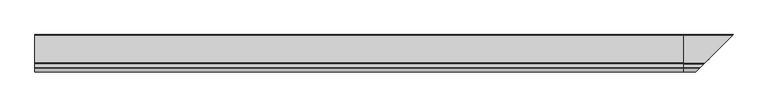
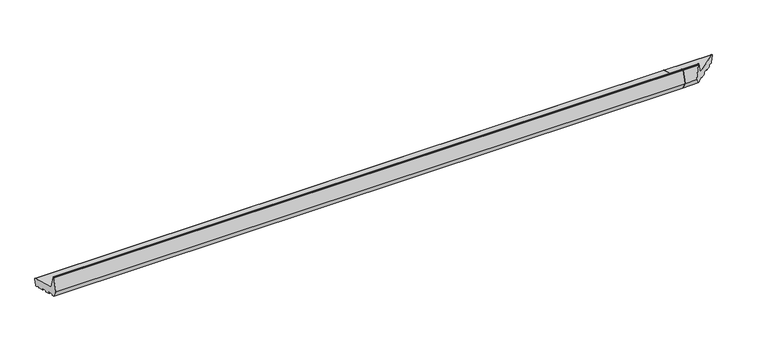
"""IFC4 building model written with IfcOpenShell, lengths in millimetres: proxy geometry."""

import ifcopenshell
import ifcopenshell.guid

model = None  # the IFC model being written
_history = None  # IfcOwnerHistory: only IFC2X3 demands one
_inside = {}  # id of a spatial element -> (the spatial element, [elements in it])
_under = {}  # id of a project, library or spatial element -> (it, [spatial elements below it])
_declared = {}  # id of a project -> (the project, [libraries it declares])
_typed = {}  # id of a type object -> (the type object, [elements of that type])
_made_of = {}  # id of a material, layer set ... -> (it, [elements and type objects made of it])


def new_model(schema):
    """Start an empty IFC model of exactly this schema.

    Asked for "IFC4X3", IfcOpenShell would pick the latest addendum, in which some entities
    have other attributes; the version numbers below select the first issue.
    IFC2X3 requires an IfcOwnerHistory on every rooted entity: one is made here for all.
    """
    global model, _history
    if schema == "IFC4X3":
        model = ifcopenshell.file(schema_version=(4, 3, 0, 0))
    else:
        model = ifcopenshell.file(schema=schema)
    _inside.clear()
    _under.clear()
    _declared.clear()
    _typed.clear()
    _made_of.clear()
    _history = None
    if model.schema == "IFC2X3":
        org = make("IfcOrganization", Name="unknown")
        user = make(
            "IfcPersonAndOrganization",
            ThePerson=make("IfcPerson", FamilyName="unknown"),
            TheOrganization=org,
        )
        app = make(
            "IfcApplication",
            ApplicationDeveloper=org,
            Version="unknown",
            ApplicationFullName="unknown",
            ApplicationIdentifier="unknown",
        )
        _history = make(
            "IfcOwnerHistory",
            OwningUser=user,
            OwningApplication=app,
            ChangeAction="ADDED",
            CreationDate=0,
        )
    return model


def make(cls, **values):
    """One entity of the class cls with the attributes given. An attribute that is None is left unset."""
    return model.create_entity(
        cls, **{name: value for name, value in values.items() if value is not None}
    )


def rooted(cls, **values):
    """An entity with a GlobalId (a new one), such as an element, a storey or a relation."""
    return make(cls, GlobalId=ifcopenshell.guid.new(), OwnerHistory=_history, **values)


def si_unit(unit_type, name, prefix=None):
    """IfcSIUnit, for example si_unit("LENGTHUNIT", "METRE", prefix="MILLI")."""
    return make("IfcSIUnit", UnitType=unit_type, Prefix=prefix, Name=name)


def assignment(units):
    """IfcUnitAssignment: the units of a project."""
    return None if units is None else make("IfcUnitAssignment", Units=units)


def point(xyz):
    """IfcCartesianPoint."""
    return None if xyz is None else make("IfcCartesianPoint", Coordinates=xyz)


def direction(xyz):
    """IfcDirection."""
    return None if xyz is None else make("IfcDirection", DirectionRatios=xyz)


def frame(location, z_axis=None, x_axis=None):
    """IfcAxis2Placement3D, a coordinate frame: its origin and axes. An axis left out is left unset."""
    return make(
        "IfcAxis2Placement3D",
        Location=point(location),
        Axis=direction(z_axis),
        RefDirection=direction(x_axis),
    )


def frame_2d(location, x_axis=None):
    """IfcAxis2Placement2D, a coordinate frame in the plane: its origin and x axis."""
    return make(
        "IfcAxis2Placement2D", Location=point(location), RefDirection=direction(x_axis)
    )


def origin():
    """The frame at (0, 0, 0) with its axes left unset."""
    return frame((0.0, 0.0, 0.0))


def place(relative_to, where):
    """IfcLocalPlacement: puts the frame where relative to a parent placement (None: the world)."""
    return make(
        "IfcLocalPlacement", PlacementRelTo=relative_to, RelativePlacement=where
    )


def context(
    kind, dimensions, precision=None, world=None, true_north=None, identifier=None
):
    """IfcGeometricRepresentationContext, for example the 3D "Model" context."""
    return make(
        "IfcGeometricRepresentationContext",
        ContextIdentifier=identifier,
        ContextType=kind,
        CoordinateSpaceDimension=dimensions,
        Precision=precision,
        WorldCoordinateSystem=world,
        TrueNorth=true_north,
    )


def project(units=None, contexts=None):
    """IfcProject with its units and contexts."""
    return rooted(
        "IfcProject",
        Name="project",
        RepresentationContexts=contexts,
        UnitsInContext=assignment(units),
    )


def spatial(cls, under=None, at=None, **own):
    """A site, building, storey or space (cls), placed at a placement, below another one or the project."""
    s = rooted(cls, ObjectPlacement=at, **own)
    if under is not None:
        _under.setdefault(under.id(), (under, []))[1].append(s)
    return s


def polyline(points):
    """IfcPolyline through the points."""
    return make("IfcPolyline", Points=[point(p) for p in points])


def circle_curve(where, radius):
    """IfcCircle in the frame where."""
    return make("IfcCircle", Position=where, Radius=radius)


def ellipse_curve(where, semi_axis1, semi_axis2):
    """IfcEllipse in the frame where."""
    return make(
        "IfcEllipse", Position=where, SemiAxis1=semi_axis1, SemiAxis2=semi_axis2
    )


def trimmed(basis, trim1, trim2, sense, master):
    """IfcTrimmedCurve: the piece of a basis curve between two trims."""
    return make(
        "IfcTrimmedCurve",
        BasisCurve=basis,
        Trim1=trim1,
        Trim2=trim2,
        SenseAgreement=sense,
        MasterRepresentation=master,
    )


def segment(curve, same_sense, transition):
    """IfcCompositeCurveSegment."""
    return make(
        "IfcCompositeCurveSegment",
        Transition=transition,
        SameSense=same_sense,
        ParentCurve=curve,
    )


def composite_curve(segments, self_intersect=None):
    """IfcCompositeCurve: segments joined end to end."""
    return make("IfcCompositeCurve", Segments=segments, SelfIntersect=self_intersect)


def outline(outer, holes=None, kind="AREA"):
    """IfcArbitraryClosedProfileDef: a profile drawn as a closed curve; with holes, ...WithVoids."""
    if holes is None:
        return make("IfcArbitraryClosedProfileDef", ProfileType=kind, OuterCurve=outer)
    return make(
        "IfcArbitraryProfileDefWithVoids",
        ProfileType=kind,
        OuterCurve=outer,
        InnerCurves=holes,
    )


def extrude(swept, where, along, depth):
    """IfcExtrudedAreaSolid: the profile swept, set in the frame where, extruded along a direction by depth."""
    return make(
        "IfcExtrudedAreaSolid",
        SweptArea=swept,
        Position=where,
        ExtrudedDirection=direction(along),
        Depth=depth,
    )


def shape(context_of_items, identifier, shape_type, items):
    """IfcShapeRepresentation: the items that make up one representation, for example the "Body"."""
    return make(
        "IfcShapeRepresentation",
        ContextOfItems=context_of_items,
        RepresentationIdentifier=identifier,
        RepresentationType=shape_type,
        Items=items,
    )


def source(mapping_origin, context_of_items, identifier, shape_type, items):
    """IfcRepresentationMap: a shape defined once, which mapped items show again and again."""
    return make(
        "IfcRepresentationMap",
        MappingOrigin=mapping_origin,
        MappedRepresentation=shape(context_of_items, identifier, shape_type, items),
    )


def transform(
    local_origin,
    x_axis=None,
    y_axis=None,
    z_axis=None,
    scale=None,
    scale2=None,
    scale3=None,
    uniform=True,
):
    """IfcCartesianTransformationOperator3D, or its non-uniform kind. x_axis, y_axis, z_axis: its Axis1, 2, 3."""
    if uniform:
        return make(
            "IfcCartesianTransformationOperator3D",
            Axis1=direction(x_axis),
            Axis2=direction(y_axis),
            LocalOrigin=point(local_origin),
            Scale=scale,
            Axis3=direction(z_axis),
        )
    return make(
        "IfcCartesianTransformationOperator3DnonUniform",
        Axis1=direction(x_axis),
        Axis2=direction(y_axis),
        LocalOrigin=point(local_origin),
        Scale=scale,
        Axis3=direction(z_axis),
        Scale2=scale2,
        Scale3=scale3,
    )


def mapped(mapping_source, mapping_target):
    """IfcMappedItem: shows the shape of a source again, moved by a transform."""
    return make(
        "IfcMappedItem", MappingSource=mapping_source, MappingTarget=mapping_target
    )


def made_of(thing, what):
    """Note that an element or type object is made of a material, layer set ...; save() writes the relation."""
    if what is not None:
        _made_of.setdefault(what.id(), (what, []))[1].append(thing)
    return thing


def element(
    cls,
    number,
    at=None,
    inside=None,
    cuts=None,
    type_object=None,
    material=None,
    context=None,
    identifier="Body",
    shape_type=None,
    held_by="IfcProductDefinitionShape",
    body=None,
    shapes=None,
    **own,
):
    """One element of the class cls, such as IfcWall. Its Tag is "e" and its number.

    at: its placement. inside: the storey or other place that contains it. cuts: it is an
    opening in that element (IfcRelVoidsElement). A single representation is given by context,
    identifier, shape_type and body (its items); several are given by shapes. held_by: the class
    of the entity that holds the representations. save() writes the other relations.
    """
    e = rooted(cls, Tag="e%d" % number, ObjectPlacement=at, **own)
    if body is not None:
        shapes = [shape(context, identifier, shape_type, body)]
    if shapes is not None:
        e.Representation = make(held_by, Representations=shapes)
    if inside is not None:
        _inside.setdefault(inside.id(), (inside, []))[1].append(e)
    if cuts is not None:
        rooted(
            "IfcRelVoidsElement", RelatingBuildingElement=cuts, RelatedOpeningElement=e
        )
    if type_object is not None:
        _typed.setdefault(type_object.id(), (type_object, []))[1].append(e)
    return made_of(e, material)


def aggregate(whole, parts):
    """IfcRelAggregates: a whole, such as a stair, and the parts it consists of."""
    return rooted("IfcRelAggregates", RelatingObject=whole, RelatedObjects=parts)


def save(model, path):
    """Write the relations noted so far, then the file.

    IfcRelAggregates (storeys below a building ...), IfcRelContainedInSpatialStructure (elements
    in a storey), IfcRelDefinesByType, IfcRelAssociatesMaterial and IfcRelDeclares: one each for
    every whole, place, type object, material and project.
    """
    for whole, parts in _under.values():
        aggregate(whole, parts)
    for where, things in _inside.values():
        rooted(
            "IfcRelContainedInSpatialStructure",
            RelatedElements=things,
            RelatingStructure=where,
        )
    for kind, things in _typed.values():
        rooted("IfcRelDefinesByType", RelatedObjects=things, RelatingType=kind)
    for what, things in _made_of.values():
        rooted("IfcRelAssociatesMaterial", RelatedObjects=things, RelatingMaterial=what)
    for by, libraries in _declared.values():
        rooted("IfcRelDeclares", RelatingContext=by, RelatedDefinitions=libraries)
    model.write(path)


def plane_surface(at):
    """IfcPlane: the flat surface through the origin of the frame at, square to its z axis."""
    return make("IfcPlane", Position=at)


def cylinder_surface(at, radius):
    """IfcCylindricalSurface: all points at the distance radius from the z axis of the frame at."""
    return make("IfcCylindricalSurface", Position=at, Radius=radius)


def revolved_surface(curve, axis_point, axis_direction):
    """IfcSurfaceOfRevolution: the curve turned about the line through axis_point along axis_direction."""
    return make(
        "IfcSurfaceOfRevolution",
        SweptCurve=make("IfcArbitraryOpenProfileDef", ProfileType="CURVE", Curve=curve),
        AxisPosition=make("IfcAxis1Placement", Location=point(axis_point), Axis=direction(axis_direction)),
    )


def advanced_brep(points, edges, surfaces, faces):
    """IfcAdvancedBrep: a solid bounded by faces that lie on surfaces and meet in shared edges.

    An edge is (start, end): straight between two places in points (the first is 0);
    or (start, end, curve); or (start, end, curve, False) where it runs against its curve.
    A face is (place in surfaces, loops), or (place, loops, False) where it looks against
    its surface's normal. A loop lists edges by number (the first is 1), with a minus sign
    where the edge is run from its end to its start. The first loop is the outer one.
    """
    corners = [point(p) for p in points]
    vertices = [make("IfcVertexPoint", VertexGeometry=c) for c in corners]
    made = []
    for start, end, *more in edges:
        made.append(
            make(
                "IfcEdgeCurve",
                EdgeStart=vertices[start],
                EdgeEnd=vertices[end],
                EdgeGeometry=more[0] if more else make("IfcPolyline", Points=[corners[start], corners[end]]),
                SameSense=more[1] if len(more) > 1 else True,
            )
        )
    hull = []
    for where, loops, *sense in faces:
        bounds = []
        for j, loop in enumerate(loops):
            ring = [make("IfcOrientedEdge", EdgeElement=made[abs(k) - 1], Orientation=k > 0) for k in loop]
            bounds.append(
                make(
                    "IfcFaceOuterBound" if j == 0 else "IfcFaceBound",
                    Bound=make("IfcEdgeLoop", EdgeList=ring),
                    Orientation=True,
                )
            )
        hull.append(make("IfcAdvancedFace", Bounds=bounds, FaceSurface=surfaces[where], SameSense=sense[0] if sense else True))
    return make("IfcAdvancedBrep", Outer=make("IfcClosedShell", CfsFaces=hull))


def generic_models_9c9f6e3c(model_context):
    return source(origin(), model_context, "Body", "SolidModel", [
        advanced_brep(
        [(2695.0, 24.4386976, 5.7548961), (2695.0, 21.5409202, 6.5313532), (2695.0, 7.5551512, 15.0647989), (2695.0, 6.0683716, 14.4699721), (2695.0, 5.1201811, 10.931277), (2695.0, 3.8954362, 10.2241702), (2695.0, -18.3208578, 16.1770082), (2695.0, -19.0279645, 17.4017531), (2695.0, -17.9926884, 21.2654564), (2695.0, -18.6997951, 22.4902013), (2695.0, -41.882015, 28.7018584), (2695.0, -43.1067598, 27.9947516), (2695.0, -44.142036, 24.1310483), (2695.0, -45.3667809, 23.4239415), (2695.0, -67.5830749, 29.3767795), (2695.0, -68.2901817, 30.6015244), (2695.0, -67.2549055, 34.4652277), (2695.0, -67.9620123, 35.6899726), (2695.0, -91.1442321, 41.9016297), (2695.0, -92.368977, 41.1945229), (2695.0, -93.4042532, 37.3308196), (2695.0, -94.628998, 36.6237128), (2695.0, -103.3223305, 38.9530842), (2695.0, -121.0, 69.571706), (2695.0, -106.6423334, 123.1552472), (2695.0, -105.1934447, 124.2670186), (2695.0, -102.1818846, 124.2670186), (2695.0, -100.7329958, 123.1552472), (2695.0, -86.984545, 71.8453303), (2695.0, -82.7419043, 67.6026896), (2695.0, 32.7209071, 36.6645225), (2695.0, 34.8422274, 32.9902879), (2695.0, 28.1129323, 7.8762164), (2894.1129323, 28.1129323, 7.8762164), (2890.4386976, 24.4386976, 5.7548961), (2900.8422274, 34.8422274, 32.9902879), (2898.7209071, 32.7209071, 36.6645225), (2783.2580957, -82.7419043, 67.6026896), (2779.015455, -86.984545, 71.8453303), (2765.2670042, -100.7329958, 123.1552472), (2763.8181154, -102.1818846, 124.2670186), (2760.8065553, -105.1934447, 124.2670186), (2759.3576666, -106.6423334, 123.1552472), (2745.0, -121.0, 69.571706), (2762.6776695, -103.3223305, 38.9530842), (2771.371002, -94.628998, 36.6237128), (2772.5957468, -93.4042532, 37.3308196), (2773.631023, -92.368977, 41.1945229), (2774.8557679, -91.1442321, 41.9016297), (2798.0379877, -67.9620123, 35.6899726), (2798.7450945, -67.2549055, 34.4652277), (2797.7098183, -68.2901817, 30.6015244), (2798.4169251, -67.5830749, 29.3767795), (2820.6332191, -45.3667809, 23.4239415), (2821.857964, -44.142036, 24.1310483), (2822.8932402, -43.1067598, 27.9947516), (2824.117985, -41.882015, 28.7018584), (2887.5409202, 21.5409202, 6.5313532), (2847.3002049, -18.6997951, 22.4902013), (2847.6791422, -18.3208578, 16.1770082), (2846.9720355, -19.0279645, 17.4017531), (2848.0073116, -17.9926884, 21.2654564), (2869.8954362, 3.8954362, 10.2241702), (2871.1201811, 5.1201811, 10.931277), (2872.0683716, 6.0683716, 14.4699721), (2873.5551512, 7.5551512, 15.0647989)],
        [
            (0, 1),
            (1, 2),
            (2, 3, circle_curve(frame((2695.0, 7.0342974, 14.211153), z_axis=(1.0, 0.0, 0.0), x_axis=(0.0, 1.0, 0.0)), 1.0)),
            (3, 4),
            (4, 5, circle_curve(frame((2695.0, 4.1542553, 11.190096), z_axis=(-1.0, 0.0, 0.0), x_axis=(0.0, 1.0, 0.0)), 1.0)),
            (5, 6),
            (6, 7, circle_curve(frame((2695.0, -18.0620387, 17.1429341), z_axis=(-1.0, 0.0, 0.0), x_axis=(0.0, 1.0, 0.0)), 1.0)),
            (7, 8),
            (8, 9, circle_curve(frame((2695.0, -18.9586142, 21.5242755), z_axis=(1.0, 0.0, 0.0), x_axis=(0.0, 1.0, 0.0)), 1.0)),
            (9, 10),
            (10, 11, circle_curve(frame((2695.0, -42.140834, 27.7359325), z_axis=(1.0, 0.0, 0.0), x_axis=(0.0, 1.0, 0.0)), 1.0)),
            (11, 12),
            (12, 13, circle_curve(frame((2695.0, -45.1079618, 24.3898673), z_axis=(-1.0, 0.0, 0.0), x_axis=(0.0, 1.0, 0.0)), 1.0)),
            (13, 14),
            (14, 15, circle_curve(frame((2695.0, -67.3242559, 30.3427054), z_axis=(-1.0, 0.0, 0.0), x_axis=(0.0, 1.0, 0.0)), 1.0)),
            (15, 16),
            (16, 17, circle_curve(frame((2695.0, -68.2208313, 34.7240468), z_axis=(1.0, 0.0, 0.0), x_axis=(0.0, 1.0, 0.0)), 1.0)),
            (17, 18),
            (18, 19, circle_curve(frame((2695.0, -91.4030512, 40.9357038), z_axis=(1.0, 0.0, 0.0), x_axis=(0.0, 1.0, 0.0)), 1.0)),
            (19, 20),
            (20, 21, circle_curve(frame((2695.0, -94.370179, 37.5896386), z_axis=(-1.0, 0.0, 0.0), x_axis=(0.0, 1.0, 0.0)), 1.0)),
            (21, 22),
            (22, 23),
            (23, 24),
            (24, 25, circle_curve(frame((2695.0, -105.1934447, 122.7670186), z_axis=(-1.0, 0.0, 0.0), x_axis=(0.0, 1.0, 0.0)), 1.5)),
            (25, 26),
            (26, 27, circle_curve(frame((2695.0, -102.1818846, 122.7670186), z_axis=(-1.0, 0.0, 0.0), x_axis=(0.0, 1.0, 0.0)), 1.5)),
            (27, 28),
            (28, 29, circle_curve(frame((2695.0, -81.1889901, 73.3982445), z_axis=(1.0, 0.0, 0.0), x_axis=(0.0, 1.0, 0.0)), 6.0)),
            (29, 30),
            (30, 31, circle_curve(frame((2695.0, 31.94445, 33.766745), z_axis=(-1.0, 0.0, 0.0), x_axis=(0.0, 1.0, 0.0)), 3.0)),
            (31, 32),
            (32, 0, circle_curve(frame((2695.0, 25.2151548, 8.6526736), z_axis=(-1.0, 0.0, 0.0), x_axis=(0.0, 1.0, 0.0)), 3.0)),
            (32, 33),
            (33, 34, ellipse_curve(frame((2891.2151548, 25.2151548, 8.6526736), z_axis=(-0.707106781186548, 0.7071067811865471, 0.0), x_axis=(0.707106781186547, 0.707106781186548, 0.0)), 4.2426407, 3.0)),
            (34, 0),
            (31, 35),
            (35, 33),
            (30, 36),
            (36, 35, ellipse_curve(frame((2897.94445, 31.94445, 33.766745), z_axis=(-0.707106781186548, 0.7071067811865471, 0.0), x_axis=(0.707106781186547, 0.707106781186548, 0.0)), 4.2426407, 3.0)),
            (29, 37),
            (37, 36),
            (28, 38),
            (38, 37, ellipse_curve(frame((2784.8110099, -81.1889901, 73.3982445), z_axis=(0.707106781186548, -0.7071067811865471, 0.0), x_axis=(-0.707106781186547, -0.707106781186548, 0.0)), 8.4852814, 6.0)),
            (27, 39),
            (39, 38),
            (26, 40),
            (40, 39, ellipse_curve(frame((2763.8181154, -102.1818846, 122.7670186), z_axis=(-0.707106781186548, 0.7071067811865471, 0.0), x_axis=(0.707106781186547, 0.707106781186548, 0.0)), 2.1213203, 1.5)),
            (25, 41),
            (41, 40),
            (24, 42),
            (42, 41, ellipse_curve(frame((2760.8065553, -105.1934447, 122.7670186), z_axis=(-0.707106781186548, 0.7071067811865471, 0.0), x_axis=(0.707106781186547, 0.707106781186548, 0.0)), 2.1213203, 1.5)),
            (23, 43),
            (43, 42),
            (22, 44),
            (44, 43),
            (21, 45),
            (45, 44),
            (20, 46),
            (46, 45, ellipse_curve(frame((2771.629821, -94.370179, 37.5896386), z_axis=(-0.707106781186548, 0.7071067811865471, 0.0), x_axis=(0.707106781186547, 0.707106781186548, 0.0)), 1.4142136, 1.0)),
            (19, 47),
            (47, 46),
            (18, 48),
            (48, 47, ellipse_curve(frame((2774.5969488, -91.4030512, 40.9357038), z_axis=(0.707106781186548, -0.7071067811865471, 0.0), x_axis=(-0.707106781186547, -0.707106781186548, 0.0)), 1.4142136, 1.0)),
            (17, 49),
            (49, 48),
            (16, 50),
            (50, 49, ellipse_curve(frame((2797.7791687, -68.2208313, 34.7240468), z_axis=(0.707106781186548, -0.7071067811865471, 0.0), x_axis=(-0.707106781186547, -0.707106781186548, 0.0)), 1.4142136, 1.0)),
            (15, 51),
            (51, 50),
            (14, 52),
            (52, 51, ellipse_curve(frame((2798.6757441, -67.3242559, 30.3427054), z_axis=(-0.707106781186548, 0.7071067811865471, 0.0), x_axis=(0.707106781186547, 0.707106781186548, 0.0)), 1.4142136, 1.0)),
            (13, 53),
            (53, 52),
            (12, 54),
            (54, 53, ellipse_curve(frame((2820.8920382, -45.1079618, 24.3898673), z_axis=(-0.707106781186548, 0.7071067811865471, 0.0), x_axis=(0.707106781186547, 0.707106781186548, 0.0)), 1.4142136, 1.0)),
            (11, 55),
            (55, 54),
            (10, 56),
            (56, 55, ellipse_curve(frame((2823.859166, -42.140834, 27.7359325), z_axis=(0.707106781186548, -0.7071067811865471, 0.0), x_axis=(-0.707106781186547, -0.707106781186548, 0.0)), 1.4142136, 1.0)),
            (34, 57),
            (57, 1),
            (9, 58),
            (58, 56),
            (6, 59),
            (59, 60, ellipse_curve(frame((2847.9379613, -18.0620387, 17.1429341), z_axis=(-0.707106781186548, 0.7071067811865471, 0.0), x_axis=(0.707106781186547, 0.707106781186548, 0.0)), 1.4142136, 1.0)),
            (60, 7),
            (60, 61),
            (61, 8),
            (61, 58, ellipse_curve(frame((2847.0413858, -18.9586142, 21.5242755), z_axis=(0.707106781186548, -0.7071067811865471, 0.0), x_axis=(-0.707106781186547, -0.707106781186548, 0.0)), 1.4142136, 1.0)),
            (5, 62),
            (62, 59),
            (4, 63),
            (63, 62, ellipse_curve(frame((2870.1542553, 4.1542553, 11.190096), z_axis=(-0.707106781186548, 0.7071067811865471, 0.0), x_axis=(0.707106781186547, 0.707106781186548, 0.0)), 1.4142136, 1.0)),
            (3, 64),
            (64, 63),
            (2, 65),
            (65, 64, ellipse_curve(frame((2873.0342974, 7.0342974, 14.211153), z_axis=(0.707106781186548, -0.7071067811865471, 0.0), x_axis=(-0.707106781186547, -0.707106781186548, 0.0)), 1.4142136, 1.0)),
            (57, 65),
        ],
        [
            plane_surface(frame((2695.0, 0.0, 0.0), z_axis=(-1.0, 0.0, 0.0), x_axis=(0.0, 0.0, 1.0))),
            cylinder_surface(frame((2901.3741644, 25.2151548, 8.6526736), z_axis=(1.0, 0.0, 0.0), x_axis=(0.0, 1.0, 0.0)), 3.0),
            plane_surface(frame((2901.3741644, 34.8422274, 32.9902879), z_axis=(0.0, 0.9659258262890688, -0.2588190451025192), x_axis=(-1.0, 0.0, 0.0))),
            cylinder_surface(frame((2901.3741644, 31.94445, 33.766745), z_axis=(1.0, 0.0, 0.0), x_axis=(0.0, 1.0, 0.0)), 3.0),
            plane_surface(frame((2901.3741644, -82.7419043, 67.6026896), z_axis=(0.0, 0.25881904510252074, 0.9659258262890684), x_axis=(-1.0, 0.0, 0.0))),
            revolved_surface(polyline([(2695.0, -75.1889901, 73.3982445), (2790.8110099182163, -75.1889901, 73.3982445)]), (2901.3741644, -81.1889901, 73.3982445), (-1.0, 0.0, 0.0)),
            plane_surface(frame((2901.3741644, -100.7329958, 123.1552472), z_axis=(0.0, 0.9659258262890681, 0.25881904510252146), x_axis=(-1.0, 0.0, 0.0))),
            cylinder_surface(frame((2901.3741644, -102.1818846, 122.7670186), z_axis=(1.0, 0.0, 0.0), x_axis=(0.0, 1.0, 0.0)), 1.5),
            plane_surface(frame((2901.3741644, -105.1934447, 124.2670186), z_axis=(0.0, 0.0, 1.0), x_axis=(-1.0, 0.0, 0.0))),
            cylinder_surface(frame((2901.3741644, -105.1934447, 122.7670186), z_axis=(1.0, 0.0, 0.0), x_axis=(0.0, 1.0, 0.0)), 1.5),
            plane_surface(frame((2901.3741644, -121.0, 69.571706), z_axis=(0.0, -0.9659258262890682, 0.25881904510252113), x_axis=(-1.0, 0.0, 0.0))),
            plane_surface(frame((2901.3741644, -103.3223305, 38.9530842), z_axis=(0.0, -0.8660254037844382, -0.5000000000000009), x_axis=(-1.0, 0.0, 0.0))),
            plane_surface(frame((2901.3741644, -94.628998, 36.6237128), z_axis=(0.0, -0.2588190451025213, -0.9659258262890682), x_axis=(-1.0, 0.0, 0.0))),
            cylinder_surface(frame((2901.3741644, -94.370179, 37.5896386), z_axis=(1.0, 0.0, 0.0), x_axis=(0.0, 1.0, 0.0)), 1.0),
            plane_surface(frame((2901.3741644, -92.368977, 41.1945229), z_axis=(0.0, 0.9659258262890696, -0.25881904510251574), x_axis=(-1.0, 0.0, 0.0))),
            revolved_surface(polyline([(2695.0, -90.4030512, 40.9357038), (2775.5969488266064, -90.4030512, 40.9357038)]), (2901.3741644, -91.4030512, 40.9357038), (-1.0, 0.0, 0.0)),
            plane_surface(frame((2901.3741644, -67.9620123, 35.6899726), z_axis=(0.0, -0.25881904510252196, -0.965925826289068), x_axis=(-1.0, 0.0, 0.0))),
            revolved_surface(polyline([(2695.0, -67.2208313, 34.7240468), (2798.7791687266063, -67.2208313, 34.7240468)]), (2901.3741644, -68.2208313, 34.7240468), (-1.0, 0.0, 0.0)),
            plane_surface(frame((2901.3741644, -68.2901817, 30.6015244), z_axis=(0.0, -0.9659258262890698, 0.2588190451025152), x_axis=(-1.0, 0.0, 0.0))),
            cylinder_surface(frame((2901.3741644, -67.3242559, 30.3427054), z_axis=(1.0, 0.0, 0.0), x_axis=(0.0, 1.0, 0.0)), 1.0),
            plane_surface(frame((2901.3741644, -45.3667809, 23.4239415), z_axis=(0.0, -0.25881904510252135, -0.9659258262890682), x_axis=(-1.0, 0.0, 0.0))),
            cylinder_surface(frame((2901.3741644, -45.1079618, 24.3898673), z_axis=(1.0, 0.0, 0.0), x_axis=(0.0, 1.0, 0.0)), 1.0),
            plane_surface(frame((2901.3741644, -43.1067598, 27.9947516), z_axis=(0.0, 0.9659258262890696, -0.25881904510251574), x_axis=(-1.0, 0.0, 0.0))),
            revolved_surface(polyline([(2695.0, -41.140834, 27.7359325), (2824.8591660266065, -41.140834, 27.7359325)]), (2901.3741644, -42.140834, 27.7359325), (-1.0, 0.0, 0.0)),
            plane_surface(frame((2901.3741644, 24.4386976, 5.7548961), z_axis=(0.0, -0.2588190451025198, -0.9659258262890685), x_axis=(-1.0, 0.0, 0.0))),
            plane_surface(frame((2901.3741644, -18.6997951, 22.4902013), z_axis=(0.0, -0.2588190451025191, -0.9659258262890689), x_axis=(-1.0, 0.0, 0.0))),
            cylinder_surface(frame((2901.3741644, -18.0620387, 17.1429341), z_axis=(1.0, 0.0, 0.0), x_axis=(0.0, 1.0, 0.0)), 1.0),
            plane_surface(frame((2901.3741644, -19.0279645, 17.4017531), z_axis=(0.0, -0.96592582628907, 0.2588190451025148), x_axis=(-1.0, 0.0, 0.0))),
            revolved_surface(polyline([(2695.0, -17.9586142, 21.5242755), (2848.0413858266065, -17.9586142, 21.5242755)]), (2901.3741644, -18.9586142, 21.5242755), (-1.0, 0.0, 0.0)),
            plane_surface(frame((2901.3741644, 3.8954362, 10.2241702), z_axis=(0.0, -0.25881904510251874, -0.965925826289069), x_axis=(-1.0, 0.0, 0.0))),
            cylinder_surface(frame((2901.3741644, 4.1542553, 11.190096), z_axis=(1.0, 0.0, 0.0), x_axis=(0.0, 1.0, 0.0)), 1.0),
            plane_surface(frame((2901.3741644, 6.0683716, 14.4699721), z_axis=(0.0, 0.9659258262890685, -0.25881904510251985), x_axis=(-1.0, 0.0, 0.0))),
            revolved_surface(polyline([(2695.0, 8.0342974, 14.211153), (2874.0342974266064, 8.0342974, 14.211153)]), (2901.3741644, 7.0342974, 14.211153), (-1.0, 0.0, 0.0)),
            plane_surface(frame((2901.3741644, 21.5409202, 6.5313532), z_axis=(0.0, -0.5208538026734632, -0.853645896282875), x_axis=(-1.0, 0.0, 0.0))),
            plane_surface(frame((2847.2045815, -18.7954185, 0.0), z_axis=(0.707106781186548, -0.7071067811865471, 0.0), x_axis=(0.0, 0.0, 1.0))),
        ],
        [
            (0, [[1, 2, 3, 4, 5, 6, 7, 8, 9, 10, 11, 12, 13, 14, 15, 16, 17, 18, 19, 20, 21, 22, 23, 24, 25, 26, 27, 28, 29, 30, 31, 32, 33]]),
            (1, [[34, 35, 36, -33]]),
            (2, [[37, 38, -34, -32]]),
            (3, [[39, 40, -37, -31]]),
            (4, [[41, 42, -39, -30]]),
            (5, [[43, 44, -41, -29]]),
            (6, [[45, 46, -43, -28]]),
            (7, [[47, 48, -45, -27]]),
            (8, [[49, 50, -47, -26]]),
            (9, [[51, 52, -49, -25]]),
            (10, [[53, 54, -51, -24]]),
            (11, [[55, 56, -53, -23]]),
            (12, [[57, 58, -55, -22]]),
            (13, [[59, 60, -57, -21]]),
            (14, [[61, 62, -59, -20]]),
            (15, [[63, 64, -61, -19]]),
            (16, [[65, 66, -63, -18]]),
            (17, [[67, 68, -65, -17]]),
            (18, [[69, 70, -67, -16]]),
            (19, [[71, 72, -69, -15]]),
            (20, [[73, 74, -71, -14]]),
            (21, [[75, 76, -73, -13]]),
            (22, [[77, 78, -75, -12]]),
            (23, [[79, 80, -77, -11]]),
            (24, [[-36, 81, 82, -1]]),
            (25, [[83, 84, -79, -10]]),
            (26, [[85, 86, 87, -7]]),
            (27, [[-87, 88, 89, -8]]),
            (28, [[-89, 90, -83, -9]]),
            (29, [[91, 92, -85, -6]]),
            (30, [[93, 94, -91, -5]]),
            (31, [[95, 96, -93, -4]]),
            (32, [[97, 98, -95, -3]]),
            (33, [[-82, 99, -97, -2]]),
            (34, [[-38, -40, -42, -44, -46, -48, -50, -52, -54, -56, -58, -60, -62, -64, -66, -68, -70, -72, -74, -76, -78, -80, -84, -90, -88, -86, -92, -94, -96, -98, -99, -81, -35]]),
        ],
    ),
        extrude(outline(composite_curve([segment(polyline([(24.4386976, 5.7548961), (21.5409202, 6.5313532), (7.5551512, 15.0647989)]), True, "CONTINUOUS"), segment(trimmed(circle_curve(frame_2d((7.0342974, 14.211153)), 1.0), [point((7.5551512, 15.0647989))], [point((6.0683716, 14.4699721))], True, "CARTESIAN"), True, "CONTINUOUS"), segment(polyline([(6.0683716, 14.4699721), (5.1201811, 10.931277)]), True, "CONTINUOUS"), segment(trimmed(circle_curve(frame_2d((4.1542553, 11.190096)), 1.0), [point((5.1201811, 10.931277))], [point((3.8954362, 10.2241702))], False, "CARTESIAN"), True, "CONTINUOUS"), segment(polyline([(3.8954362, 10.2241702), (-18.3208578, 16.1770082)]), True, "CONTINUOUS"), segment(trimmed(circle_curve(frame_2d((-18.0620387, 17.1429341)), 1.0), [point((-18.3208578, 16.1770082))], [point((-19.0279645, 17.4017531))], False, "CARTESIAN"), True, "CONTINUOUS"), segment(polyline([(-19.0279645, 17.4017531), (-17.9926884, 21.2654564)]), True, "CONTINUOUS"), segment(trimmed(circle_curve(frame_2d((-18.9586142, 21.5242755)), 1.0), [point((-17.9926884, 21.2654564))], [point((-18.6997951, 22.4902013))], True, "CARTESIAN"), True, "CONTINUOUS"), segment(polyline([(-18.6997951, 22.4902013), (-41.882015, 28.7018584)]), True, "CONTINUOUS"), segment(trimmed(circle_curve(frame_2d((-42.140834, 27.7359325)), 1.0), [point((-41.882015, 28.7018584))], [point((-43.1067598, 27.9947516))], True, "CARTESIAN"), True, "CONTINUOUS"), segment(polyline([(-43.1067598, 27.9947516), (-44.142036, 24.1310483)]), True, "CONTINUOUS"), segment(trimmed(circle_curve(frame_2d((-45.1079618, 24.3898673)), 1.0), [point((-44.142036, 24.1310483))], [point((-45.3667809, 23.4239415))], False, "CARTESIAN"), True, "CONTINUOUS"), segment(polyline([(-45.3667809, 23.4239415), (-67.5830749, 29.3767795)]), True, "CONTINUOUS"), segment(trimmed(circle_curve(frame_2d((-67.3242559, 30.3427054)), 1.0), [point((-67.5830749, 29.3767795))], [point((-68.2901817, 30.6015244))], False, "CARTESIAN"), True, "CONTINUOUS"), segment(polyline([(-68.2901817, 30.6015244), (-67.2549055, 34.4652277)]), True, "CONTINUOUS"), segment(trimmed(circle_curve(frame_2d((-68.2208313, 34.7240468)), 1.0), [point((-67.2549055, 34.4652277))], [point((-67.9620123, 35.6899726))], True, "CARTESIAN"), True, "CONTINUOUS"), segment(polyline([(-67.9620123, 35.6899726), (-91.1442321, 41.9016297)]), True, "CONTINUOUS"), segment(trimmed(circle_curve(frame_2d((-91.4030512, 40.9357038)), 1.0), [point((-91.1442321, 41.9016297))], [point((-92.368977, 41.1945229))], True, "CARTESIAN"), True, "CONTINUOUS"), segment(polyline([(-92.368977, 41.1945229), (-93.4042532, 37.3308196)]), True, "CONTINUOUS"), segment(trimmed(circle_curve(frame_2d((-94.370179, 37.5896386)), 1.0), [point((-93.4042532, 37.3308196))], [point((-94.628998, 36.6237128))], False, "CARTESIAN"), True, "CONTINUOUS"), segment(polyline([(-94.628998, 36.6237128), (-103.3223305, 38.9530842), (-121.0, 69.571706), (-106.6423334, 123.1552472)]), True, "CONTINUOUS"), segment(trimmed(circle_curve(frame_2d((-105.1934447, 122.7670186)), 1.5), [point((-106.6423334, 123.1552472))], [point((-105.1934447, 124.2670186))], False, "CARTESIAN"), True, "CONTINUOUS"), segment(polyline([(-105.1934447, 124.2670186), (-102.1818846, 124.2670186)]), True, "CONTINUOUS"), segment(trimmed(circle_curve(frame_2d((-102.1818846, 122.7670186)), 1.5), [point((-102.1818846, 124.2670186))], [point((-100.7329958, 123.1552472))], False, "CARTESIAN"), True, "CONTINUOUS"), segment(polyline([(-100.7329958, 123.1552472), (-86.984545, 71.8453303)]), True, "CONTINUOUS"), segment(trimmed(circle_curve(frame_2d((-81.1889901, 73.3982445)), 6.0), [point((-86.984545, 71.8453303))], [point((-82.7419043, 67.6026896))], True, "CARTESIAN"), True, "CONTINUOUS"), segment(polyline([(-82.7419043, 67.6026896), (32.7209071, 36.6645225)]), True, "CONTINUOUS"), segment(trimmed(circle_curve(frame_2d((31.94445, 33.766745)), 3.0), [point((32.7209071, 36.6645225))], [point((34.8422274, 32.9902879))], False, "CARTESIAN"), True, "CONTINUOUS"), segment(polyline([(34.8422274, 32.9902879), (28.1129323, 7.8762164)]), True, "CONTINUOUS"), segment(trimmed(circle_curve(frame_2d((25.2151548, 8.6526736)), 3.0), [point((28.1129323, 7.8762164))], [point((24.4386976, 5.7548961))], False, "CARTESIAN"), True, "CONTINUOUS")], self_intersect=False)), frame((0.0, 0.0, 0.0), z_axis=(1.0, 0.0, 0.0), x_axis=(0.0, 1.0, 0.0)), (0.0, 0.0, 1.0), 2695.0),
    ])


if __name__ == "__main__":
    model = new_model("IFC4")
    model_context = context("Model", 3, world=origin())
    ifc_project = project(units=[si_unit("LENGTHUNIT", "METRE", prefix="MILLI")], contexts=[model_context])
    site = spatial("IfcSite", under=ifc_project)
    building = spatial("IfcBuilding", under=site)
    placement = place(None, origin())
    generic_models_shape = generic_models_9c9f6e3c(model_context)
    element("IfcBuildingElementProxy", 1, Name="Generic Models", at=placement, inside=building, context=model_context, shape_type="MappedRepresentation", body=[
        mapped(generic_models_shape, transform((0.0, 0.0, 0.0), x_axis=(1.0, 0.0, 0.0), y_axis=(0.0, 1.0, 0.0), z_axis=(0.0, 0.0, 1.0))),
    ])
    save(model, "model.ifc")
